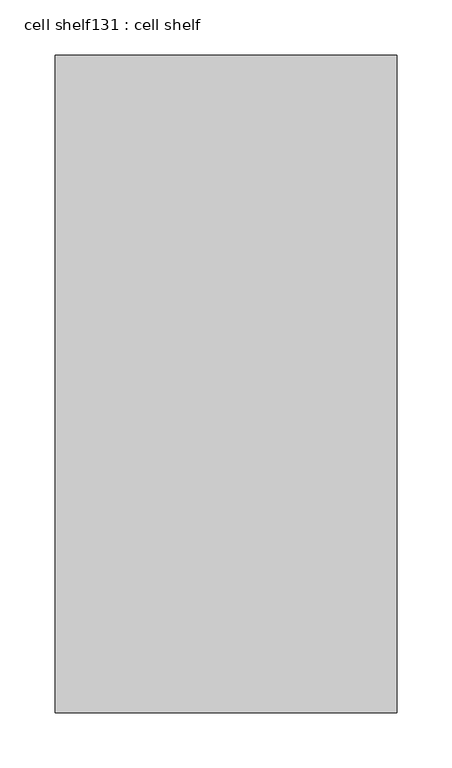
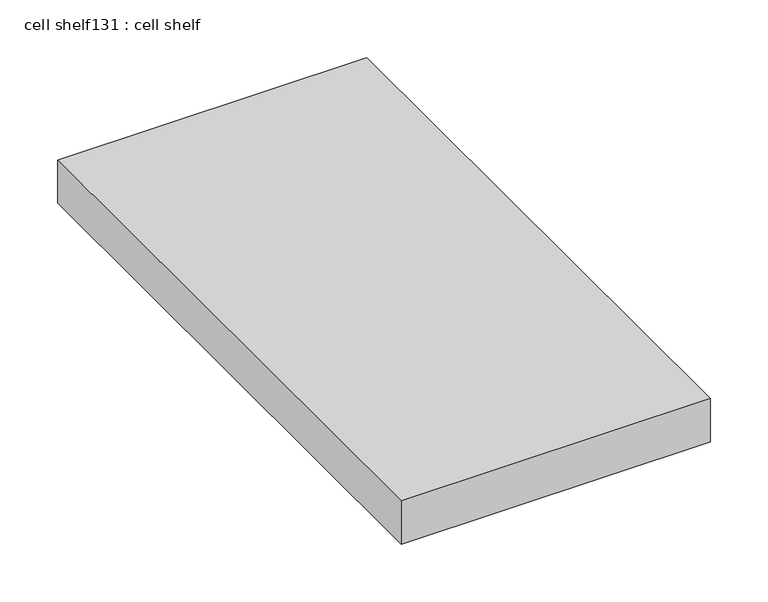
"""IFC4 building model written with IfcOpenShell, lengths in millimetres: proxy geometry, cell shelf131 : cell shelf."""

from ifc_helpers import new_model, si_unit, frame, origin, place, context, project, spatial, polyline, outline, extrude, source, transform, mapped, element, save


def cell_shelf131_cell_shelf_a65607bb(model_context):
    return source(origin(), model_context, "Body", "SweptSolid", [
        extrude(outline(polyline([(-117402.3013107, -12868.2646139), (-117402.3013107, -12273.1782182), (-117092.9535142, -12273.1782182), (-117092.9535142, -12868.2646139), (-117402.3013107, -12868.2646139)])), frame((0.0, 0.0, 1320.0941517), z_axis=(0.0, 0.0, 1.0), x_axis=(1.0, 0.0, 0.0)), (0.0, 0.0, 1.0), 45.8133004),
    ])


if __name__ == "__main__":
    model = new_model("IFC4")
    model_context = context("Model", 3, world=origin())
    ifc_project = project(units=[si_unit("LENGTHUNIT", "METRE", prefix="MILLI")], contexts=[model_context])
    site = spatial("IfcSite", under=ifc_project)
    building = spatial("IfcBuilding", under=site)
    placement = place(None, origin())
    cell_shelf131_cell_shelf_shape = cell_shelf131_cell_shelf_a65607bb(model_context)
    element("IfcBuildingElementProxy", 1, Name="cell shelf131 : cell shelf", ObjectType="cell shelf131 : cell shelf", at=placement, inside=building, context=model_context, shape_type="MappedRepresentation", body=[
        mapped(cell_shelf131_cell_shelf_shape, transform((0.0, 0.0, 0.0), x_axis=(1.0, 0.0, 0.0), y_axis=(0.0, 1.0, 0.0), z_axis=(0.0, 0.0, 1.0))),
    ])
    save(model, "model.ifc")
